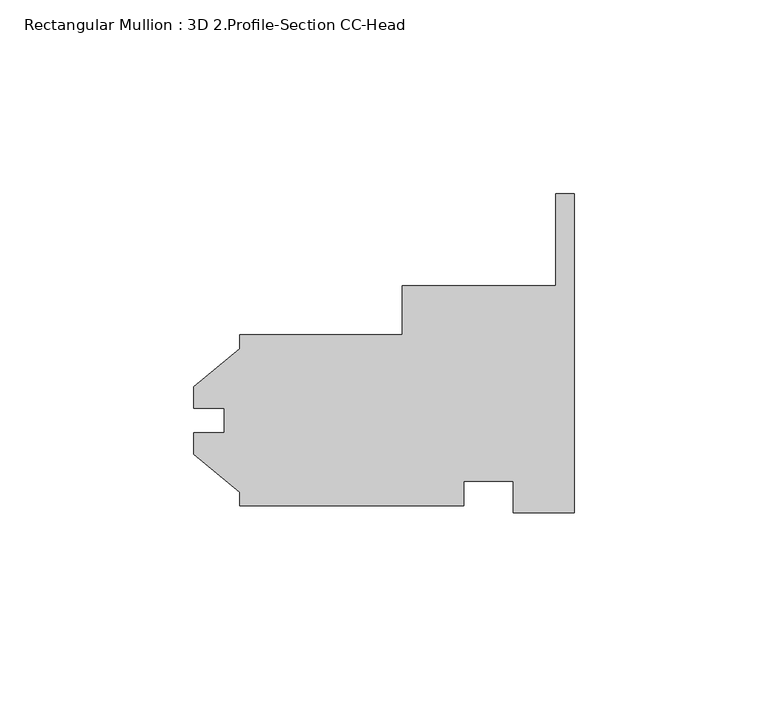
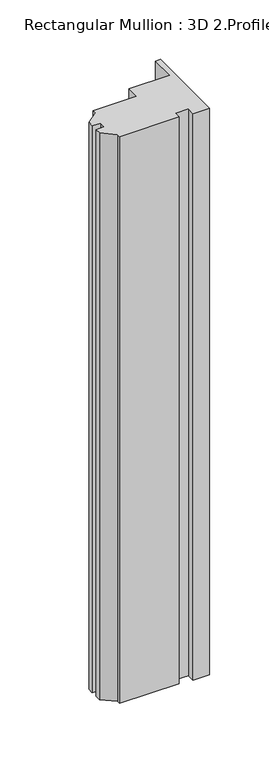
"""IFC4 building model written with IfcOpenShell, lengths in millimetres: member geometry, Rectangular Mullion : 3D 2.Profile-Section CC-Head."""

from ifc_helpers import new_model, si_unit, frame, origin, place, context, project, spatial, polyline, outline, extrude, source, transform, mapped, element, save


def rectangular_mullion_3d_2_profile_section_cc_head_0a5d23a0(model_context):
    return source(origin(), model_context, "Body", "SweptSolid", [
        extrude(outline(polyline([(0.0, 58.6007021), (0.0, -23.8349979), (-15.875, -23.8349979), (-15.875, -15.7069979), (-28.575, -15.7069979), (-28.575, -22.1204979), (-86.5124, -22.1204979), (-86.5124, -18.5413339), (-98.41865, -8.7727979), (-98.41865, -3.1974979), (-90.4748, -3.1974979), (-90.4748, 3.1525021), (-98.41865, 3.1525021), (-98.41865, 8.7278021), (-86.5124, 18.4963381), (-86.5124, 22.0755021), (-44.45, 22.0755021), (-44.45, 34.7755021), (-4.7752, 34.7755021), (-4.7752, 58.6007021), (0.0, 58.6007021)])), frame((0.0, 0.0, -581.81875), z_axis=(0.0, 0.0, 1.0), x_axis=(1.0, 0.0, 0.0)), (0.0, 0.0, 1.0), 581.81875),
    ])


if __name__ == "__main__":
    model = new_model("IFC4")
    model_context = context("Model", 3, world=origin())
    ifc_project = project(units=[si_unit("LENGTHUNIT", "METRE", prefix="MILLI")], contexts=[model_context])
    site = spatial("IfcSite", under=ifc_project)
    building = spatial("IfcBuilding", under=site)
    placement = place(None, origin())
    rectangular_mullion_3d_2_profile_section_cc_head_shape = rectangular_mullion_3d_2_profile_section_cc_head_0a5d23a0(model_context)
    element("IfcMember", 1, ObjectType="Rectangular Mullion : 3D 2.Profile-Section CC-Head", at=placement, inside=building, context=model_context, shape_type="MappedRepresentation", body=[
        mapped(rectangular_mullion_3d_2_profile_section_cc_head_shape, transform((0.0, 0.0, 0.0), x_axis=(1.0, 0.0, 0.0), y_axis=(0.0, 1.0, 0.0), z_axis=(0.0, 0.0, 1.0))),
    ])
    save(model, "model.ifc")
